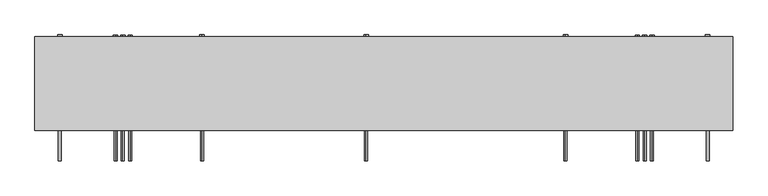
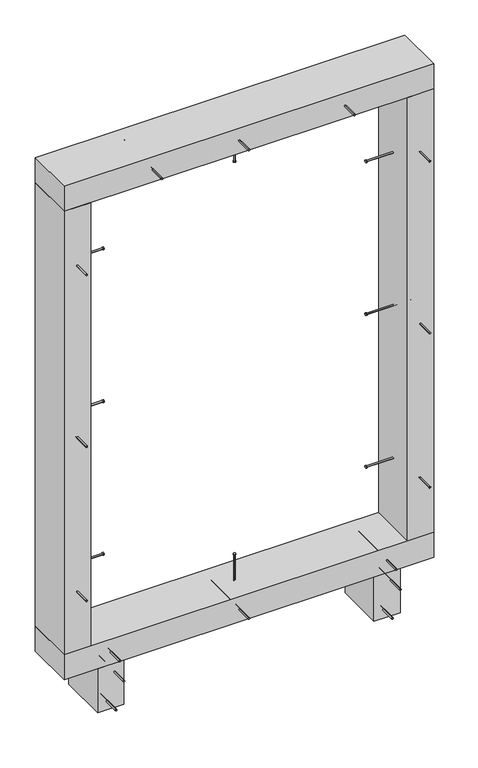
"""IFC4 building model written with IfcOpenShell, lengths in millimetres: proxy geometry."""

from ifc_helpers import new_model, si_unit, point, frame, frame_2d, origin, origin_with_axes, place, context, project, spatial, polyline, circle_curve, trimmed, segment, composite_curve, outline, extrude, source, transform, mapped, element, save


def generic_models_1d678b75(model_context):
    return source(origin(), model_context, "Body", "SweptSolid", [
        extrude(outline(composite_curve([segment(trimmed(circle_curve(frame_2d((-30.0, -307.5)), 2.4700592), [point((-32.4700592, -307.5))], [point((-27.5299408, -307.5))], False, "CARTESIAN"), True, "CONTINUOUS"), segment(trimmed(circle_curve(frame_2d((-30.0, -307.5)), 2.4700592), [point((-27.5299408, -307.5))], [point((-32.4700592, -307.5))], False, "CARTESIAN"), True, "CONTINUOUS")], self_intersect=False)), frame((0.0, 103.0, 0.0), z_axis=(0.0, 1.0, 0.0), x_axis=(0.0, 0.0, 1.0)), (0.0, 0.0, 1.0), 212.0),
        extrude(outline(composite_curve([segment(trimmed(circle_curve(frame_2d((-30.0, -307.5)), 3.8), [point((-33.8, -307.5))], [point((-26.2, -307.5))], False, "CARTESIAN"), True, "CONTINUOUS"), segment(trimmed(circle_curve(frame_2d((-30.0, -307.5)), 3.8), [point((-26.2, -307.5))], [point((-33.8, -307.5))], False, "CARTESIAN"), True, "CONTINUOUS")], self_intersect=False)), frame((0.0, 315.0, 0.0), z_axis=(0.0, 1.0, 0.0), x_axis=(0.0, 0.0, 1.0)), (0.0, 0.0, 1.0), 3.0),
        extrude(outline(composite_curve([segment(trimmed(circle_curve(frame_2d((-120.0, -332.5)), 2.4700592), [point((-122.4700592, -332.5))], [point((-117.5299408, -332.5))], False, "CARTESIAN"), True, "CONTINUOUS"), segment(trimmed(circle_curve(frame_2d((-120.0, -332.5)), 2.4700592), [point((-117.5299408, -332.5))], [point((-122.4700592, -332.5))], False, "CARTESIAN"), True, "CONTINUOUS")], self_intersect=False)), frame((0.0, 103.0, 0.0), z_axis=(0.0, 1.0, 0.0), x_axis=(0.0, 0.0, 1.0)), (0.0, 0.0, 1.0), 212.0),
        extrude(outline(composite_curve([segment(trimmed(circle_curve(frame_2d((-120.0, -332.5)), 3.8), [point((-123.8, -332.5))], [point((-116.2, -332.5))], False, "CARTESIAN"), True, "CONTINUOUS"), segment(trimmed(circle_curve(frame_2d((-120.0, -332.5)), 3.8), [point((-116.2, -332.5))], [point((-123.8, -332.5))], False, "CARTESIAN"), True, "CONTINUOUS")], self_intersect=False)), frame((0.0, 315.0, 0.0), z_axis=(0.0, 1.0, 0.0), x_axis=(0.0, 0.0, 1.0)), (0.0, 0.0, 1.0), 3.0),
        extrude(outline(composite_curve([segment(trimmed(circle_curve(frame_2d((-30.0, 582.5)), 2.4700592), [point((-32.4700592, 582.5))], [point((-27.5299408, 582.5))], False, "CARTESIAN"), True, "CONTINUOUS"), segment(trimmed(circle_curve(frame_2d((-30.0, 582.5)), 2.4700592), [point((-27.5299408, 582.5))], [point((-32.4700592, 582.5))], False, "CARTESIAN"), True, "CONTINUOUS")], self_intersect=False)), frame((0.0, 103.0, 0.0), z_axis=(0.0, 1.0, 0.0), x_axis=(0.0, 0.0, 1.0)), (0.0, 0.0, 1.0), 212.0),
        extrude(outline(composite_curve([segment(trimmed(circle_curve(frame_2d((-30.0, 582.5)), 3.8), [point((-33.8, 582.5))], [point((-26.2, 582.5))], False, "CARTESIAN"), True, "CONTINUOUS"), segment(trimmed(circle_curve(frame_2d((-30.0, 582.5)), 3.8), [point((-26.2, 582.5))], [point((-33.8, 582.5))], False, "CARTESIAN"), True, "CONTINUOUS")], self_intersect=False)), frame((0.0, 315.0, 0.0), z_axis=(0.0, 1.0, 0.0), x_axis=(0.0, 0.0, 1.0)), (0.0, 0.0, 1.0), 3.0),
        extrude(outline(composite_curve([segment(trimmed(circle_curve(frame_2d((-120.0, 557.5)), 2.4700592), [point((-122.4700592, 557.5))], [point((-117.5299408, 557.5))], False, "CARTESIAN"), True, "CONTINUOUS"), segment(trimmed(circle_curve(frame_2d((-120.0, 557.5)), 2.4700592), [point((-117.5299408, 557.5))], [point((-122.4700592, 557.5))], False, "CARTESIAN"), True, "CONTINUOUS")], self_intersect=False)), frame((0.0, 103.0, 0.0), z_axis=(0.0, 1.0, 0.0), x_axis=(0.0, 0.0, 1.0)), (0.0, 0.0, 1.0), 212.0),
        extrude(outline(composite_curve([segment(trimmed(circle_curve(frame_2d((-120.0, 557.5)), 3.8), [point((-123.8, 557.5))], [point((-116.2, 557.5))], False, "CARTESIAN"), True, "CONTINUOUS"), segment(trimmed(circle_curve(frame_2d((-120.0, 557.5)), 3.8), [point((-116.2, 557.5))], [point((-123.8, 557.5))], False, "CARTESIAN"), True, "CONTINUOUS")], self_intersect=False)), frame((0.0, 315.0, 0.0), z_axis=(0.0, 1.0, 0.0), x_axis=(0.0, 0.0, 1.0)), (0.0, 0.0, 1.0), 3.0),
        extrude(outline(composite_curve([segment(trimmed(circle_curve(frame_2d((125.0, 235.0)), 2.4700592), [point((125.0, 232.5299408))], [point((125.0, 237.4700592))], False, "CARTESIAN"), True, "CONTINUOUS"), segment(trimmed(circle_curve(frame_2d((125.0, 235.0)), 2.4700592), [point((125.0, 237.4700592))], [point((125.0, 232.5299408))], False, "CARTESIAN"), True, "CONTINUOUS")], self_intersect=False)), frame((0.0, 0.0, 25.0), z_axis=(0.0, 0.0, 1.0), x_axis=(1.0, 0.0, 0.0)), (0.0, 0.0, 1.0), 145.0),
        extrude(outline(composite_curve([segment(trimmed(circle_curve(frame_2d((125.0, 235.0)), 3.8), [point((125.0, 231.2))], [point((125.0, 238.8))], False, "CARTESIAN"), True, "CONTINUOUS"), segment(trimmed(circle_curve(frame_2d((125.0, 235.0)), 3.8), [point((125.0, 238.8))], [point((125.0, 231.2))], False, "CARTESIAN"), True, "CONTINUOUS")], self_intersect=False)), frame((0.0, 0.0, 170.0), z_axis=(0.0, 0.0, 1.0), x_axis=(1.0, 0.0, 0.0)), (0.0, 0.0, 1.0), 3.0),
        extrude(outline(composite_curve([segment(trimmed(circle_curve(frame_2d((42.5, 95.0)), 2.4700592), [point((44.9700592, 95.0))], [point((40.0299408, 95.0))], False, "CARTESIAN"), True, "CONTINUOUS"), segment(trimmed(circle_curve(frame_2d((42.5, 95.0)), 2.4700592), [point((40.0299408, 95.0))], [point((44.9700592, 95.0))], False, "CARTESIAN"), True, "CONTINUOUS")], self_intersect=False)), frame((0.0, 103.0, 0.0), z_axis=(0.0, 1.0, 0.0), x_axis=(0.0, 0.0, 1.0)), (0.0, 0.0, 1.0), 212.0),
        extrude(outline(composite_curve([segment(trimmed(circle_curve(frame_2d((42.5, 95.0)), 3.8), [point((46.3, 95.0))], [point((38.7, 95.0))], False, "CARTESIAN"), True, "CONTINUOUS"), segment(trimmed(circle_curve(frame_2d((42.5, 95.0)), 3.8), [point((38.7, 95.0))], [point((46.3, 95.0))], False, "CARTESIAN"), True, "CONTINUOUS")], self_intersect=False)), frame((0.0, 315.0, 0.0), z_axis=(0.0, 1.0, 0.0), x_axis=(0.0, 0.0, 1.0)), (0.0, 0.0, 1.0), 3.0),
        extrude(outline(composite_curve([segment(trimmed(circle_curve(frame_2d((42.5, -320.0)), 2.4700592), [point((44.9700592, -320.0))], [point((40.0299408, -320.0))], False, "CARTESIAN"), True, "CONTINUOUS"), segment(trimmed(circle_curve(frame_2d((42.5, -320.0)), 2.4700592), [point((40.0299408, -320.0))], [point((44.9700592, -320.0))], False, "CARTESIAN"), True, "CONTINUOUS")], self_intersect=False)), frame((0.0, 103.0, 0.0), z_axis=(0.0, 1.0, 0.0), x_axis=(0.0, 0.0, 1.0)), (0.0, 0.0, 1.0), 212.0),
        extrude(outline(composite_curve([segment(trimmed(circle_curve(frame_2d((42.5, -320.0)), 3.8), [point((46.3, -320.0))], [point((38.7, -320.0))], False, "CARTESIAN"), True, "CONTINUOUS"), segment(trimmed(circle_curve(frame_2d((42.5, -320.0)), 3.8), [point((38.7, -320.0))], [point((46.3, -320.0))], False, "CARTESIAN"), True, "CONTINUOUS")], self_intersect=False)), frame((0.0, 315.0, 0.0), z_axis=(0.0, 1.0, 0.0), x_axis=(0.0, 0.0, 1.0)), (0.0, 0.0, 1.0), 3.0),
        extrude(outline(composite_curve([segment(trimmed(circle_curve(frame_2d((42.5, 570.0)), 2.4700592), [point((44.9700592, 570.0))], [point((40.0299408, 570.0))], False, "CARTESIAN"), True, "CONTINUOUS"), segment(trimmed(circle_curve(frame_2d((42.5, 570.0)), 2.4700592), [point((40.0299408, 570.0))], [point((44.9700592, 570.0))], False, "CARTESIAN"), True, "CONTINUOUS")], self_intersect=False)), frame((0.0, 103.0, 0.0), z_axis=(0.0, 1.0, 0.0), x_axis=(0.0, 0.0, 1.0)), (0.0, 0.0, 1.0), 212.0),
        extrude(outline(composite_curve([segment(trimmed(circle_curve(frame_2d((42.5, 570.0)), 3.8), [point((46.3, 570.0))], [point((38.7, 570.0))], False, "CARTESIAN"), True, "CONTINUOUS"), segment(trimmed(circle_curve(frame_2d((42.5, 570.0)), 3.8), [point((38.7, 570.0))], [point((46.3, 570.0))], False, "CARTESIAN"), True, "CONTINUOUS")], self_intersect=False)), frame((0.0, 315.0, 0.0), z_axis=(0.0, 1.0, 0.0), x_axis=(0.0, 0.0, 1.0)), (0.0, 0.0, 1.0), 3.0),
        extrude(outline(polyline([(720.0, 155.0), (-470.0, 155.0), (-470.0, 315.0), (720.0, 315.0), (720.0, 155.0)])), origin_with_axes(), (0.0, 0.0, 1.0), 85.0),
        extrude(outline(composite_curve([segment(trimmed(circle_curve(frame_2d((235.0, 320.0)), 2.4700592), [point((232.5299408, 320.0))], [point((237.4700592, 320.0))], False, "CARTESIAN"), True, "CONTINUOUS"), segment(trimmed(circle_curve(frame_2d((235.0, 320.0)), 2.4700592), [point((237.4700592, 320.0))], [point((232.5299408, 320.0))], False, "CARTESIAN"), True, "CONTINUOUS")], self_intersect=False)), frame((-445.0, 0.0, 0.0), z_axis=(1.0, 0.0, 0.0), x_axis=(0.0, 1.0, 0.0)), (0.0, 0.0, 1.0), 145.0),
        extrude(outline(composite_curve([segment(trimmed(circle_curve(frame_2d((235.0, 320.0)), 3.8), [point((231.2, 320.0))], [point((238.8, 320.0))], False, "CARTESIAN"), True, "CONTINUOUS"), segment(trimmed(circle_curve(frame_2d((235.0, 320.0)), 3.8), [point((238.8, 320.0))], [point((231.2, 320.0))], False, "CARTESIAN"), True, "CONTINUOUS")], self_intersect=False)), frame((-300.0, 0.0, 0.0), z_axis=(1.0, 0.0, 0.0), x_axis=(0.0, 1.0, 0.0)), (0.0, 0.0, 1.0), 3.0),
        extrude(outline(composite_curve([segment(trimmed(circle_curve(frame_2d((235.0, 1360.0)), 2.4700592), [point((232.5299408, 1360.0))], [point((237.4700592, 1360.0))], False, "CARTESIAN"), True, "CONTINUOUS"), segment(trimmed(circle_curve(frame_2d((235.0, 1360.0)), 2.4700592), [point((237.4700592, 1360.0))], [point((232.5299408, 1360.0))], False, "CARTESIAN"), True, "CONTINUOUS")], self_intersect=False)), frame((-445.0, 0.0, 0.0), z_axis=(1.0, 0.0, 0.0), x_axis=(0.0, 1.0, 0.0)), (0.0, 0.0, 1.0), 145.0),
        extrude(outline(composite_curve([segment(trimmed(circle_curve(frame_2d((235.0, 1360.0)), 3.8), [point((231.2, 1360.0))], [point((238.8, 1360.0))], False, "CARTESIAN"), True, "CONTINUOUS"), segment(trimmed(circle_curve(frame_2d((235.0, 1360.0)), 3.8), [point((238.8, 1360.0))], [point((231.2, 1360.0))], False, "CARTESIAN"), True, "CONTINUOUS")], self_intersect=False)), frame((-300.0, 0.0, 0.0), z_axis=(1.0, 0.0, 0.0), x_axis=(0.0, 1.0, 0.0)), (0.0, 0.0, 1.0), 3.0),
        extrude(outline(composite_curve([segment(trimmed(circle_curve(frame_2d((810.0, -427.5)), 2.4700592), [point((810.0, -429.9700592))], [point((810.0, -425.0299408))], False, "CARTESIAN"), True, "CONTINUOUS"), segment(trimmed(circle_curve(frame_2d((810.0, -427.5)), 2.4700592), [point((810.0, -425.0299408))], [point((810.0, -429.9700592))], False, "CARTESIAN"), True, "CONTINUOUS")], self_intersect=False)), frame((0.0, 103.0, 0.0), z_axis=(0.0, 1.0, 0.0), x_axis=(0.0, 0.0, 1.0)), (0.0, 0.0, 1.0), 212.0),
        extrude(outline(composite_curve([segment(trimmed(circle_curve(frame_2d((810.0, -427.5)), 3.8), [point((810.0, -431.3))], [point((810.0, -423.7))], False, "CARTESIAN"), True, "CONTINUOUS"), segment(trimmed(circle_curve(frame_2d((810.0, -427.5)), 3.8), [point((810.0, -423.7))], [point((810.0, -431.3))], False, "CARTESIAN"), True, "CONTINUOUS")], self_intersect=False)), frame((0.0, 315.0, 0.0), z_axis=(0.0, 1.0, 0.0), x_axis=(0.0, 0.0, 1.0)), (0.0, 0.0, 1.0), 3.0),
        extrude(outline(composite_curve([segment(trimmed(circle_curve(frame_2d((235.0, 840.0)), 2.4700592), [point((232.5299408, 840.0))], [point((237.4700592, 840.0))], False, "CARTESIAN"), True, "CONTINUOUS"), segment(trimmed(circle_curve(frame_2d((235.0, 840.0)), 2.4700592), [point((237.4700592, 840.0))], [point((232.5299408, 840.0))], False, "CARTESIAN"), True, "CONTINUOUS")], self_intersect=False)), frame((-445.0, 0.0, 0.0), z_axis=(1.0, 0.0, 0.0), x_axis=(0.0, 1.0, 0.0)), (0.0, 0.0, 1.0), 145.0),
        extrude(outline(composite_curve([segment(trimmed(circle_curve(frame_2d((235.0, 840.0)), 3.8), [point((231.2, 840.0))], [point((238.8, 840.0))], False, "CARTESIAN"), True, "CONTINUOUS"), segment(trimmed(circle_curve(frame_2d((235.0, 840.0)), 3.8), [point((238.8, 840.0))], [point((231.2, 840.0))], False, "CARTESIAN"), True, "CONTINUOUS")], self_intersect=False)), frame((-300.0, 0.0, 0.0), z_axis=(1.0, 0.0, 0.0), x_axis=(0.0, 1.0, 0.0)), (0.0, 0.0, 1.0), 3.0),
        extrude(outline(composite_curve([segment(trimmed(circle_curve(frame_2d((1395.0, -427.5)), 2.4700592), [point((1395.0, -429.9700592))], [point((1395.0, -425.0299408))], False, "CARTESIAN"), True, "CONTINUOUS"), segment(trimmed(circle_curve(frame_2d((1395.0, -427.5)), 2.4700592), [point((1395.0, -425.0299408))], [point((1395.0, -429.9700592))], False, "CARTESIAN"), True, "CONTINUOUS")], self_intersect=False)), frame((0.0, 103.0, 0.0), z_axis=(0.0, 1.0, 0.0), x_axis=(0.0, 0.0, 1.0)), (0.0, 0.0, 1.0), 212.0),
        extrude(outline(composite_curve([segment(trimmed(circle_curve(frame_2d((1395.0, -427.5)), 3.8), [point((1395.0, -431.3))], [point((1395.0, -423.7))], False, "CARTESIAN"), True, "CONTINUOUS"), segment(trimmed(circle_curve(frame_2d((1395.0, -427.5)), 3.8), [point((1395.0, -423.7))], [point((1395.0, -431.3))], False, "CARTESIAN"), True, "CONTINUOUS")], self_intersect=False)), frame((0.0, 315.0, 0.0), z_axis=(0.0, 1.0, 0.0), x_axis=(0.0, 0.0, 1.0)), (0.0, 0.0, 1.0), 3.0),
        extrude(outline(composite_curve([segment(trimmed(circle_curve(frame_2d((285.0, -427.5)), 2.4700592), [point((285.0, -429.9700592))], [point((285.0, -425.0299408))], False, "CARTESIAN"), True, "CONTINUOUS"), segment(trimmed(circle_curve(frame_2d((285.0, -427.5)), 2.4700592), [point((285.0, -425.0299408))], [point((285.0, -429.9700592))], False, "CARTESIAN"), True, "CONTINUOUS")], self_intersect=False)), frame((0.0, 103.0, 0.0), z_axis=(0.0, 1.0, 0.0), x_axis=(0.0, 0.0, 1.0)), (0.0, 0.0, 1.0), 212.0),
        extrude(outline(composite_curve([segment(trimmed(circle_curve(frame_2d((285.0, -427.5)), 3.8), [point((285.0, -431.3))], [point((285.0, -423.7))], False, "CARTESIAN"), True, "CONTINUOUS"), segment(trimmed(circle_curve(frame_2d((285.0, -427.5)), 3.8), [point((285.0, -423.7))], [point((285.0, -431.3))], False, "CARTESIAN"), True, "CONTINUOUS")], self_intersect=False)), frame((0.0, 315.0, 0.0), z_axis=(0.0, 1.0, 0.0), x_axis=(0.0, 0.0, 1.0)), (0.0, 0.0, 1.0), 3.0),
        extrude(outline(polyline([(-470.0, 155.0), (-470.0, 315.0), (-385.0, 315.0), (-385.0, 155.0), (-470.0, 155.0)])), frame((0.0, 0.0, 85.0), z_axis=(0.0, 0.0, 1.0), x_axis=(1.0, 0.0, 0.0)), (0.0, 0.0, 1.0), 1510.0),
        extrude(outline(composite_curve([segment(trimmed(circle_curve(frame_2d((235.0, 320.0)), 2.4700592), [point((232.5299408, 320.0))], [point((237.4700592, 320.0))], False, "CARTESIAN"), True, "CONTINUOUS"), segment(trimmed(circle_curve(frame_2d((235.0, 320.0)), 2.4700592), [point((237.4700592, 320.0))], [point((232.5299408, 320.0))], False, "CARTESIAN"), True, "CONTINUOUS")], self_intersect=False)), frame((550.0, 0.0, 0.0), z_axis=(1.0, 0.0, 0.0), x_axis=(0.0, 1.0, 0.0)), (0.0, 0.0, 1.0), 145.0),
        extrude(outline(composite_curve([segment(trimmed(circle_curve(frame_2d((235.0, 320.0)), 3.8), [point((231.2, 320.0))], [point((238.8, 320.0))], False, "CARTESIAN"), True, "CONTINUOUS"), segment(trimmed(circle_curve(frame_2d((235.0, 320.0)), 3.8), [point((238.8, 320.0))], [point((231.2, 320.0))], False, "CARTESIAN"), True, "CONTINUOUS")], self_intersect=False)), frame((547.0, 0.0, 0.0), z_axis=(1.0, 0.0, 0.0), x_axis=(0.0, 1.0, 0.0)), (0.0, 0.0, 1.0), 3.0),
        extrude(outline(composite_curve([segment(trimmed(circle_curve(frame_2d((235.0, 1360.0)), 2.4700592), [point((232.5299408, 1360.0))], [point((237.4700592, 1360.0))], False, "CARTESIAN"), True, "CONTINUOUS"), segment(trimmed(circle_curve(frame_2d((235.0, 1360.0)), 2.4700592), [point((237.4700592, 1360.0))], [point((232.5299408, 1360.0))], False, "CARTESIAN"), True, "CONTINUOUS")], self_intersect=False)), frame((550.0, 0.0, 0.0), z_axis=(1.0, 0.0, 0.0), x_axis=(0.0, 1.0, 0.0)), (0.0, 0.0, 1.0), 145.0),
        extrude(outline(composite_curve([segment(trimmed(circle_curve(frame_2d((235.0, 1360.0)), 3.8), [point((231.2, 1360.0))], [point((238.8, 1360.0))], False, "CARTESIAN"), True, "CONTINUOUS"), segment(trimmed(circle_curve(frame_2d((235.0, 1360.0)), 3.8), [point((238.8, 1360.0))], [point((231.2, 1360.0))], False, "CARTESIAN"), True, "CONTINUOUS")], self_intersect=False)), frame((547.0, 0.0, 0.0), z_axis=(1.0, 0.0, 0.0), x_axis=(0.0, 1.0, 0.0)), (0.0, 0.0, 1.0), 3.0),
        extrude(outline(composite_curve([segment(trimmed(circle_curve(frame_2d((810.0, 677.5)), 2.4700592), [point((810.0, 679.9700592))], [point((810.0, 675.0299408))], False, "CARTESIAN"), True, "CONTINUOUS"), segment(trimmed(circle_curve(frame_2d((810.0, 677.5)), 2.4700592), [point((810.0, 675.0299408))], [point((810.0, 679.9700592))], False, "CARTESIAN"), True, "CONTINUOUS")], self_intersect=False)), frame((0.0, 103.0, 0.0), z_axis=(0.0, 1.0, 0.0), x_axis=(0.0, 0.0, 1.0)), (0.0, 0.0, 1.0), 212.0),
        extrude(outline(composite_curve([segment(trimmed(circle_curve(frame_2d((810.0, 677.5)), 3.8), [point((810.0, 681.3))], [point((810.0, 673.7))], False, "CARTESIAN"), True, "CONTINUOUS"), segment(trimmed(circle_curve(frame_2d((810.0, 677.5)), 3.8), [point((810.0, 673.7))], [point((810.0, 681.3))], False, "CARTESIAN"), True, "CONTINUOUS")], self_intersect=False)), frame((0.0, 315.0, 0.0), z_axis=(0.0, 1.0, 0.0), x_axis=(0.0, 0.0, 1.0)), (0.0, 0.0, 1.0), 3.0),
        extrude(outline(composite_curve([segment(trimmed(circle_curve(frame_2d((235.0, 840.0)), 2.4700592), [point((232.5299408, 840.0))], [point((237.4700592, 840.0))], False, "CARTESIAN"), True, "CONTINUOUS"), segment(trimmed(circle_curve(frame_2d((235.0, 840.0)), 2.4700592), [point((237.4700592, 840.0))], [point((232.5299408, 840.0))], False, "CARTESIAN"), True, "CONTINUOUS")], self_intersect=False)), frame((550.0, 0.0, 0.0), z_axis=(1.0, 0.0, 0.0), x_axis=(0.0, 1.0, 0.0)), (0.0, 0.0, 1.0), 145.0),
        extrude(outline(composite_curve([segment(trimmed(circle_curve(frame_2d((235.0, 840.0)), 3.8), [point((231.2, 840.0))], [point((238.8, 840.0))], False, "CARTESIAN"), True, "CONTINUOUS"), segment(trimmed(circle_curve(frame_2d((235.0, 840.0)), 3.8), [point((238.8, 840.0))], [point((231.2, 840.0))], False, "CARTESIAN"), True, "CONTINUOUS")], self_intersect=False)), frame((547.0, 0.0, 0.0), z_axis=(1.0, 0.0, 0.0), x_axis=(0.0, 1.0, 0.0)), (0.0, 0.0, 1.0), 3.0),
        extrude(outline(composite_curve([segment(trimmed(circle_curve(frame_2d((1395.0, 677.5)), 2.4700592), [point((1395.0, 679.9700592))], [point((1395.0, 675.0299408))], False, "CARTESIAN"), True, "CONTINUOUS"), segment(trimmed(circle_curve(frame_2d((1395.0, 677.5)), 2.4700592), [point((1395.0, 675.0299408))], [point((1395.0, 679.9700592))], False, "CARTESIAN"), True, "CONTINUOUS")], self_intersect=False)), frame((0.0, 103.0, 0.0), z_axis=(0.0, 1.0, 0.0), x_axis=(0.0, 0.0, 1.0)), (0.0, 0.0, 1.0), 212.0),
        extrude(outline(composite_curve([segment(trimmed(circle_curve(frame_2d((1395.0, 677.5)), 3.8), [point((1395.0, 681.3))], [point((1395.0, 673.7))], False, "CARTESIAN"), True, "CONTINUOUS"), segment(trimmed(circle_curve(frame_2d((1395.0, 677.5)), 3.8), [point((1395.0, 673.7))], [point((1395.0, 681.3))], False, "CARTESIAN"), True, "CONTINUOUS")], self_intersect=False)), frame((0.0, 315.0, 0.0), z_axis=(0.0, 1.0, 0.0), x_axis=(0.0, 0.0, 1.0)), (0.0, 0.0, 1.0), 3.0),
        extrude(outline(composite_curve([segment(trimmed(circle_curve(frame_2d((285.0, 677.5)), 2.4700592), [point((285.0, 679.9700592))], [point((285.0, 675.0299408))], False, "CARTESIAN"), True, "CONTINUOUS"), segment(trimmed(circle_curve(frame_2d((285.0, 677.5)), 2.4700592), [point((285.0, 675.0299408))], [point((285.0, 679.9700592))], False, "CARTESIAN"), True, "CONTINUOUS")], self_intersect=False)), frame((0.0, 103.0, 0.0), z_axis=(0.0, 1.0, 0.0), x_axis=(0.0, 0.0, 1.0)), (0.0, 0.0, 1.0), 212.0),
        extrude(outline(composite_curve([segment(trimmed(circle_curve(frame_2d((285.0, 677.5)), 3.8), [point((285.0, 681.3))], [point((285.0, 673.7))], False, "CARTESIAN"), True, "CONTINUOUS"), segment(trimmed(circle_curve(frame_2d((285.0, 677.5)), 3.8), [point((285.0, 673.7))], [point((285.0, 681.3))], False, "CARTESIAN"), True, "CONTINUOUS")], self_intersect=False)), frame((0.0, 315.0, 0.0), z_axis=(0.0, 1.0, 0.0), x_axis=(0.0, 0.0, 1.0)), (0.0, 0.0, 1.0), 3.0),
        extrude(outline(polyline([(720.0, 155.0), (635.0, 155.0), (635.0, 315.0), (720.0, 315.0), (720.0, 155.0)])), frame((0.0, 0.0, 85.0), z_axis=(0.0, 0.0, 1.0), x_axis=(1.0, 0.0, 0.0)), (0.0, 0.0, 1.0), 1510.0),
        extrude(outline(composite_curve([segment(trimmed(circle_curve(frame_2d((1637.5, 95.0)), 2.4700592), [point((1639.9700592, 95.0))], [point((1635.0299408, 95.0))], False, "CARTESIAN"), True, "CONTINUOUS"), segment(trimmed(circle_curve(frame_2d((1637.5, 95.0)), 2.4700592), [point((1635.0299408, 95.0))], [point((1639.9700592, 95.0))], False, "CARTESIAN"), True, "CONTINUOUS")], self_intersect=False)), frame((0.0, 103.0, 0.0), z_axis=(0.0, 1.0, 0.0), x_axis=(0.0, 0.0, 1.0)), (0.0, 0.0, 1.0), 212.0),
        extrude(outline(composite_curve([segment(trimmed(circle_curve(frame_2d((1637.5, 95.0)), 3.8), [point((1641.3, 95.0))], [point((1633.7, 95.0))], False, "CARTESIAN"), True, "CONTINUOUS"), segment(trimmed(circle_curve(frame_2d((1637.5, 95.0)), 3.8), [point((1633.7, 95.0))], [point((1641.3, 95.0))], False, "CARTESIAN"), True, "CONTINUOUS")], self_intersect=False)), frame((0.0, 315.0, 0.0), z_axis=(0.0, 1.0, 0.0), x_axis=(0.0, 0.0, 1.0)), (0.0, 0.0, 1.0), 3.0),
        extrude(outline(composite_curve([segment(trimmed(circle_curve(frame_2d((125.0, 235.0)), 2.4700592), [point((125.0, 232.5299408))], [point((125.0, 237.4700592))], False, "CARTESIAN"), True, "CONTINUOUS"), segment(trimmed(circle_curve(frame_2d((125.0, 235.0)), 2.4700592), [point((125.0, 237.4700592))], [point((125.0, 232.5299408))], False, "CARTESIAN"), True, "CONTINUOUS")], self_intersect=False)), frame((0.0, 0.0, 1510.0), z_axis=(0.0, 0.0, 1.0), x_axis=(1.0, 0.0, 0.0)), (0.0, 0.0, 1.0), 145.0),
        extrude(outline(composite_curve([segment(trimmed(circle_curve(frame_2d((125.0, 235.0)), 3.8), [point((125.0, 231.2))], [point((125.0, 238.8))], False, "CARTESIAN"), True, "CONTINUOUS"), segment(trimmed(circle_curve(frame_2d((125.0, 235.0)), 3.8), [point((125.0, 238.8))], [point((125.0, 231.2))], False, "CARTESIAN"), True, "CONTINUOUS")], self_intersect=False)), frame((0.0, 0.0, 1507.0), z_axis=(0.0, 0.0, 1.0), x_axis=(1.0, 0.0, 0.0)), (0.0, 0.0, 1.0), 3.0),
        extrude(outline(composite_curve([segment(trimmed(circle_curve(frame_2d((1637.5, -185.0)), 2.4700592), [point((1639.9700592, -185.0))], [point((1635.0299408, -185.0))], False, "CARTESIAN"), True, "CONTINUOUS"), segment(trimmed(circle_curve(frame_2d((1637.5, -185.0)), 2.4700592), [point((1635.0299408, -185.0))], [point((1639.9700592, -185.0))], False, "CARTESIAN"), True, "CONTINUOUS")], self_intersect=False)), frame((0.0, 103.0, 0.0), z_axis=(0.0, 1.0, 0.0), x_axis=(0.0, 0.0, 1.0)), (0.0, 0.0, 1.0), 212.0),
        extrude(outline(composite_curve([segment(trimmed(circle_curve(frame_2d((1637.5, -185.0)), 3.8), [point((1641.3, -185.0))], [point((1633.7, -185.0))], False, "CARTESIAN"), True, "CONTINUOUS"), segment(trimmed(circle_curve(frame_2d((1637.5, -185.0)), 3.8), [point((1633.7, -185.0))], [point((1641.3, -185.0))], False, "CARTESIAN"), True, "CONTINUOUS")], self_intersect=False)), frame((0.0, 315.0, 0.0), z_axis=(0.0, 1.0, 0.0), x_axis=(0.0, 0.0, 1.0)), (0.0, 0.0, 1.0), 3.0),
        extrude(outline(composite_curve([segment(trimmed(circle_curve(frame_2d((1637.5, 435.0)), 2.4700592), [point((1639.9700592, 435.0))], [point((1635.0299408, 435.0))], False, "CARTESIAN"), True, "CONTINUOUS"), segment(trimmed(circle_curve(frame_2d((1637.5, 435.0)), 2.4700592), [point((1635.0299408, 435.0))], [point((1639.9700592, 435.0))], False, "CARTESIAN"), True, "CONTINUOUS")], self_intersect=False)), frame((0.0, 103.0, 0.0), z_axis=(0.0, 1.0, 0.0), x_axis=(0.0, 0.0, 1.0)), (0.0, 0.0, 1.0), 212.0),
        extrude(outline(composite_curve([segment(trimmed(circle_curve(frame_2d((1637.5, 435.0)), 3.8), [point((1641.3, 435.0))], [point((1633.7, 435.0))], False, "CARTESIAN"), True, "CONTINUOUS"), segment(trimmed(circle_curve(frame_2d((1637.5, 435.0)), 3.8), [point((1633.7, 435.0))], [point((1641.3, 435.0))], False, "CARTESIAN"), True, "CONTINUOUS")], self_intersect=False)), frame((0.0, 315.0, 0.0), z_axis=(0.0, 1.0, 0.0), x_axis=(0.0, 0.0, 1.0)), (0.0, 0.0, 1.0), 3.0),
        extrude(outline(polyline([(720.0, 155.0), (-470.0, 155.0), (-470.0, 315.0), (720.0, 315.0), (720.0, 155.0)])), frame((0.0, 0.0, 1595.0), z_axis=(0.0, 0.0, 1.0), x_axis=(1.0, 0.0, 0.0)), (0.0, 0.0, 1.0), 85.0),
        extrude(outline(polyline([(612.5, 155.0), (527.5, 155.0), (527.5, 315.0), (612.5, 315.0), (612.5, 155.0)])), frame((0.0, 0.0, -150.0), z_axis=(0.0, 0.0, 1.0), x_axis=(1.0, 0.0, 0.0)), (0.0, 0.0, 1.0), 150.0),
        extrude(outline(polyline([(-277.5, 155.0), (-362.5, 155.0), (-362.5, 315.0), (-277.5, 315.0), (-277.5, 155.0)])), frame((0.0, 0.0, -150.0), z_axis=(0.0, 0.0, 1.0), x_axis=(1.0, 0.0, 0.0)), (0.0, 0.0, 1.0), 150.0),
    ])


if __name__ == "__main__":
    model = new_model("IFC4")
    model_context = context("Model", 3, world=origin())
    ifc_project = project(units=[si_unit("LENGTHUNIT", "METRE", prefix="MILLI")], contexts=[model_context])
    site = spatial("IfcSite", under=ifc_project)
    building = spatial("IfcBuilding", under=site)
    placement = place(None, origin())
    generic_models_shape = generic_models_1d678b75(model_context)
    element("IfcBuildingElementProxy", 1, Name="Generic Models", at=placement, inside=building, context=model_context, shape_type="MappedRepresentation", body=[
        mapped(generic_models_shape, transform((0.0, 0.0, 0.0), x_axis=(1.0, 0.0, 0.0), y_axis=(0.0, 1.0, 0.0), z_axis=(0.0, 0.0, 1.0))),
    ])
    save(model, "model.ifc")
